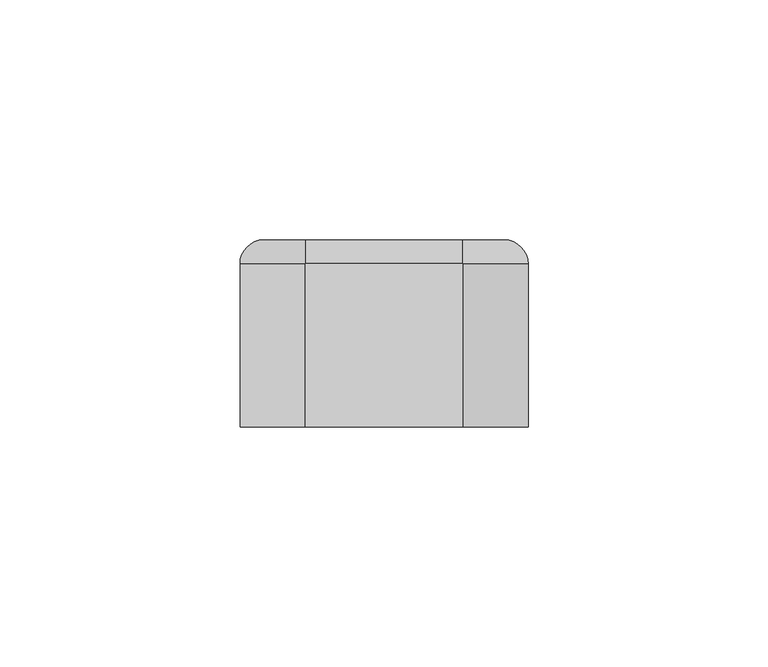
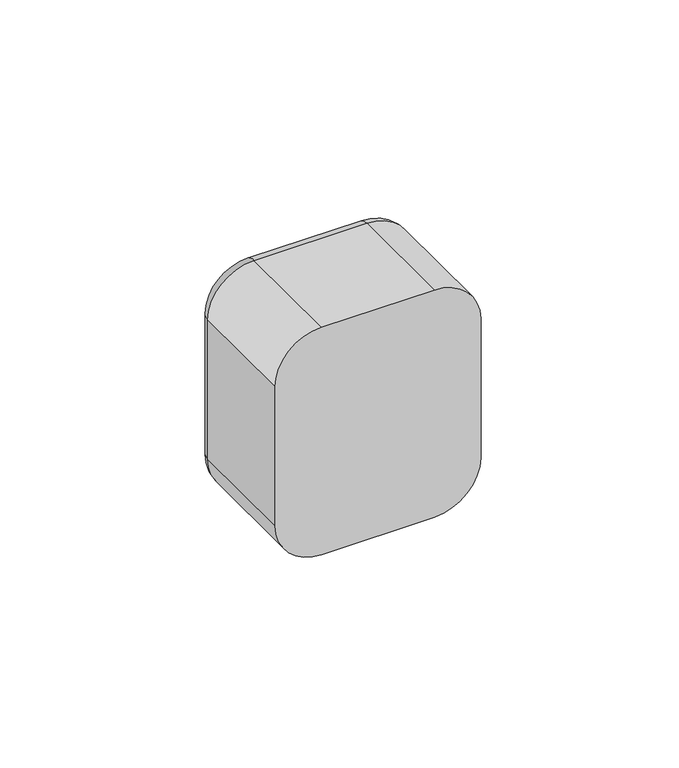
"""IFC4 building model written with IfcOpenShell, lengths in millimetres: electric appliance geometry."""

from ifc_helpers import new_model, si_unit, point, frame, origin, place, context, project, spatial, polyline, circle_curve, ellipse_curve, trimmed, outline, extrude, source, transform, mapped, element, save
from ifc_brep_helpers import plane_surface, cylinder_surface, revolved_surface, advanced_brep


def electric_appliance_cc51e7da(model_context):
    return source(origin(), model_context, "Body", "SolidModel", [
        advanced_brep(
        [(16.4328665, 39.0, 30.0), (25.0, 39.0, 21.4328665), (25.0, 39.0, -21.4328665), (16.4328665, 39.0, -30.0), (-16.4328665, 39.0, -30.0), (-25.0, 39.0, -21.4328665), (-25.0, 39.0, 21.4328665), (-16.4328665, 39.0, 30.0), (22.5, 39.0, 22.5), (-22.5, 39.0, 22.5), (-22.5, 39.0, -22.5), (22.5, 39.0, -22.5), (-16.4328665, 0.0, 35.0), (-30.0, 0.0, 21.4328665), (-30.0, 0.0, -21.4328665), (-16.4328665, 0.0, -35.0), (16.4328665, 0.0, -35.0), (30.0, 0.0, -21.4328665), (30.0, 0.0, 21.4328665), (16.4328665, 0.0, 35.0), (22.5, 2.0, -22.5), (22.5, 2.0, 22.5), (-22.5, 2.0, -22.5), (-22.5, 2.0, 22.5), (-30.0, 34.0, 21.4328665), (-30.0, 34.0, -21.4328665), (-16.4328665, 34.0, -35.0), (16.4328665, 34.0, -35.0), (30.0, 34.0, -21.4328665), (30.0, 34.0, 21.4328665), (16.4328665, 34.0000072, 35.0), (-16.4328665, 34.0, 35.0)],
        [
            (0, 1, circle_curve(frame((16.4328665, 39.0, 21.4328665), z_axis=(0.0, 1.0, 0.0), x_axis=(0.0, 0.0, 1.0)), 8.5671335)),
            (1, 2),
            (2, 3, circle_curve(frame((16.4328665, 39.0, -21.4328665), z_axis=(0.0, 1.0, 0.0), x_axis=(1.0, 0.0, 0.0)), 8.5671335)),
            (3, 4),
            (4, 5, circle_curve(frame((-16.4328665, 39.0, -21.4328665), z_axis=(0.0, 1.0, 0.0), x_axis=(0.0, 0.0, -1.0)), 8.5671335)),
            (5, 6),
            (6, 7, circle_curve(frame((-16.4328665, 39.0, 21.4328665), z_axis=(0.0, 1.0, 0.0), x_axis=(-1.0, 0.0, 0.0)), 8.5671335)),
            (7, 0),
            (8, 9),
            (9, 10),
            (10, 11),
            (11, 8),
            (12, 13, circle_curve(frame((-16.4328665, 0.0, 21.4328665), z_axis=(0.0, -1.0, 0.0), x_axis=(1.0, 0.0, 0.0)), 13.5671335)),
            (13, 14),
            (14, 15, circle_curve(frame((-16.4328665, 0.0, -21.4328665), z_axis=(0.0, -1.0, 0.0), x_axis=(1.0, 0.0, 0.0)), 13.5671335)),
            (15, 16),
            (16, 17, circle_curve(frame((16.4328665, 0.0, -21.4328665), z_axis=(0.0, -1.0, 0.0), x_axis=(1.0, 0.0, 0.0)), 13.5671335)),
            (17, 18),
            (18, 19, circle_curve(frame((16.4328665, 0.0, 21.4328665), z_axis=(0.0, -1.0, 0.0), x_axis=(1.0, 0.0, 0.0)), 13.5671335)),
            (19, 12),
            (11, 20),
            (20, 21),
            (21, 8),
            (10, 22),
            (22, 20),
            (9, 23),
            (23, 22),
            (21, 23),
            (13, 24),
            (24, 25),
            (25, 14),
            (15, 26),
            (26, 27),
            (27, 16),
            (17, 28),
            (28, 29),
            (29, 18),
            (19, 30),
            (30, 31),
            (31, 12),
            (31, 24, circle_curve(frame((-16.4328665, 34.0, 21.4328665), z_axis=(0.0, -1.0, 0.0), x_axis=(1.0, 0.0, 0.0)), 13.5671335)),
            (25, 26, circle_curve(frame((-16.4328665, 34.0, -21.4328665), z_axis=(0.0, -1.0, 0.0), x_axis=(1.0, 0.0, 0.0)), 13.5671335)),
            (27, 28, circle_curve(frame((16.4328665, 34.0, -21.4328665), z_axis=(0.0, -1.0, 0.0), x_axis=(1.0, 0.0, 0.0)), 13.5671335)),
            (29, 30, circle_curve(frame((16.4328665, 34.0, 21.4328665), z_axis=(0.0, -1.0, 0.0), x_axis=(1.0, 0.0, 0.0)), 13.5671335)),
            (29, 1, circle_curve(frame((25.0, 34.0, 21.4328665), z_axis=(0.0, 0.0, 1.0), x_axis=(0.0, 1.0, 0.0)), 5.0)),
            (0, 30, circle_curve(frame((16.4328665, 34.0, 30.0), z_axis=(1.0, 0.0, 0.0), x_axis=(0.0, 1.0, 0.0)), 5.0)),
            (28, 2, circle_curve(frame((25.0, 34.0, -21.4328665), z_axis=(0.0, 0.0, 1.0), x_axis=(0.0, 1.0, 0.0)), 5.0)),
            (27, 3, circle_curve(frame((16.4328665, 34.0, -30.0), z_axis=(1.0, 0.0, 0.0), x_axis=(0.0, 1.0, 0.0)), 5.0)),
            (26, 4, circle_curve(frame((-16.4328665, 34.0, -30.0), z_axis=(1.0, 0.0, 0.0), x_axis=(0.0, 1.0, 0.0)), 5.0)),
            (25, 5, circle_curve(frame((-25.0, 34.0, -21.4328665), z_axis=(0.0, 0.0, -1.0), x_axis=(0.0, 1.0, 0.0)), 5.0)),
            (24, 6, circle_curve(frame((-25.0, 34.0, 21.4328665), z_axis=(0.0, 0.0, -1.0), x_axis=(0.0, 1.0, 0.0)), 5.0)),
            (31, 7, circle_curve(frame((-16.4328665, 34.0, 30.0), z_axis=(-1.0, 0.0, 0.0), x_axis=(0.0, 1.0, 0.0)), 5.0)),
        ],
        [
            plane_surface(frame((22.5, 39.0, 6.9412233), z_axis=(0.0, 1.0, 0.0), x_axis=(0.0, 0.0, 1.0))),
            plane_surface(frame((22.5, 0.0, 6.9412233), z_axis=(0.0, -1.0, 0.0), x_axis=(0.0, 0.0, -1.0))),
            plane_surface(frame((22.5, 0.0, 22.5), z_axis=(-1.0, 0.0, 0.0), x_axis=(0.0, 1.0, 0.0))),
            plane_surface(frame((22.5, 0.0, -22.5), z_axis=(0.0, 0.0, 1.0), x_axis=(0.0, 1.0, 0.0))),
            plane_surface(frame((-22.5, 0.0, -22.5), z_axis=(1.0, 0.0, 0.0), x_axis=(0.0, 1.0, 0.0))),
            plane_surface(frame((-22.5, 0.0, 22.5), z_axis=(0.0, 0.0, -1.0), x_axis=(0.0, 1.0, 0.0))),
            plane_surface(frame((-30.0, 0.0, 21.4328665), z_axis=(-1.0, 0.0, 0.0), x_axis=(0.0, 1.0, 0.0))),
            plane_surface(frame((-16.4328665, 0.0, -35.0), z_axis=(0.0, 0.0, -1.0), x_axis=(0.0, 1.0, 0.0))),
            plane_surface(frame((30.0, 0.0, -21.4328665), z_axis=(1.0, 0.0, 0.0), x_axis=(0.0, 1.0, 0.0))),
            plane_surface(frame((16.4328665, 0.0, 35.0), z_axis=(0.0, 0.0, 1.0), x_axis=(0.0, 1.0, 0.0))),
            cylinder_surface(frame((-16.4328665, 0.0, 21.4328665), z_axis=(0.0, -1.0, 0.0), x_axis=(1.0, 0.0, 0.0)), 13.5671335),
            cylinder_surface(frame((-16.4328665, 0.0, -21.4328665), z_axis=(0.0, -1.0, 0.0), x_axis=(1.0, 0.0, 0.0)), 13.5671335),
            cylinder_surface(frame((16.4328665, 0.0, -21.4328665), z_axis=(0.0, -1.0, 0.0), x_axis=(1.0, 0.0, 0.0)), 13.5671335),
            cylinder_surface(frame((16.4328665, 0.0, 21.4328665), z_axis=(0.0, -1.0, 0.0), x_axis=(1.0, 0.0, 0.0)), 13.5671335),
            plane_surface(frame((-22.5, 2.0, 31.0), z_axis=(0.0, 1.0, 0.0), x_axis=(0.0, 0.0, 1.0))),
            revolved_surface(trimmed(ellipse_curve(frame((16.4328665, 34.0, 30.0), z_axis=(-1.0, 0.0, 0.0), x_axis=(0.0, 1.0, 0.0)), 5.0, 5.0), [point((16.4328665, 34.0, 35.0))], [point((16.4328665, 39.0, 30.0))], True, "CARTESIAN"), (16.4328665, 39.0, 21.4328665), (0.0, 1.0, 0.0)),
            cylinder_surface(frame((25.0, 34.0, 21.4328665), z_axis=(0.0, 0.0, -1.0), x_axis=(0.0, 1.0, 0.0)), 5.0),
            revolved_surface(trimmed(ellipse_curve(frame((25.0, 34.0, -21.4328665), z_axis=(0.0, 0.0, 1.0), x_axis=(0.0, 1.0, 0.0)), 5.0, 5.0), [point((30.0, 34.0, -21.4328665))], [point((25.0, 39.0, -21.4328665))], True, "CARTESIAN"), (16.4328665, 39.0, -21.4328665), (0.0, 1.0, 0.0)),
            cylinder_surface(frame((16.4328665, 34.0, -30.0), z_axis=(-1.0, 0.0, 0.0), x_axis=(0.0, 1.0, 0.0)), 5.0),
            revolved_surface(trimmed(ellipse_curve(frame((-16.4328665, 34.0, -30.0), z_axis=(1.0, 0.0, 0.0), x_axis=(0.0, 1.0, 0.0)), 5.0, 5.0), [point((-16.4328665, 34.0, -35.0))], [point((-16.4328665, 39.0, -30.0))], True, "CARTESIAN"), (-16.4328665, 39.0, -21.4328665), (0.0, 1.0, 0.0)),
            cylinder_surface(frame((-25.0, 34.0, -21.4328665), z_axis=(0.0, 0.0, 1.0), x_axis=(0.0, 1.0, 0.0)), 5.0),
            revolved_surface(trimmed(ellipse_curve(frame((-25.0, 34.0, 21.4328665), z_axis=(0.0, 0.0, -1.0), x_axis=(0.0, 1.0, 0.0)), 5.0, 5.0), [point((-30.0, 34.0, 21.4328665))], [point((-25.0, 39.0, 21.4328665))], True, "CARTESIAN"), (-16.4328665, 39.0, 21.4328665), (0.0, 1.0, 0.0)),
            cylinder_surface(frame((-16.4328665, 34.0, 30.0), z_axis=(1.0, 0.0, 0.0), x_axis=(0.0, 1.0, 0.0)), 5.0),
        ],
        [
            (0, [[1, 2, 3, 4, 5, 6, 7, 8], [9, 10, 11, 12]]),
            (1, [[13, 14, 15, 16, 17, 18, 19, 20]]),
            (2, [[-12, 21, 22, 23]]),
            (3, [[-11, 24, 25, -21]]),
            (4, [[-10, 26, 27, -24]]),
            (5, [[-9, -23, 28, -26]]),
            (6, [[-14, 29, 30, 31]]),
            (7, [[-16, 32, 33, 34]]),
            (8, [[-18, 35, 36, 37]]),
            (9, [[-20, 38, 39, 40]]),
            (10, [[-13, -40, 41, -29]]),
            (11, [[-15, -31, 42, -32]]),
            (12, [[-17, -34, 43, -35]]),
            (13, [[-19, -37, 44, -38]]),
            (14, [[-22, -25, -27, -28]]),
            (15, [[45, -1, 46, -44]]),
            (16, [[-45, -36, 47, -2]]),
            (17, [[-47, -43, 48, -3]]),
            (18, [[-48, -33, 49, -4]]),
            (19, [[-49, -42, 50, -5]]),
            (20, [[-50, -30, 51, -6]]),
            (21, [[-51, -41, 52, -7]]),
            (22, [[-46, -8, -52, -39]]),
        ],
    ),
        extrude(outline(polyline([(22.5, 22.5), (22.5, -22.5), (-22.5, -22.5), (-22.5, 22.5), (22.5, 22.5)]), holes=[polyline([(-6.0, -6.5), (8.0, -6.5), (8.0, 6.5), (-6.0, 6.5), (-6.0, -6.5)])]), frame((0.0, 31.0, 0.0), z_axis=(0.0, 1.0, 0.0), x_axis=(0.0, 0.0, 1.0)), (0.0, 0.0, 1.0), 8.0),
        extrude(outline(polyline([(7.8, 6.3), (7.8, -6.3), (-5.8, -6.3), (-5.8, 6.3), (7.8, 6.3)]), holes=[polyline([(-5.0, 2.0037086), (-5.0, -2.0037086), (-3.5, -2.0037086), (-3.5, -4.5037086), (-2.0, -4.5037086), (-2.0, -6.0), (5.0, -6.0), (5.0, 6.0), (-2.0, 6.0), (-2.0, 4.5037086), (-3.5, 4.5037086), (-3.5, 2.0037086), (-5.0, 2.0037086)])]), frame((0.0, 31.0, 0.0), z_axis=(0.0, 1.0, 0.0), x_axis=(0.0, 0.0, 1.0)), (0.0, 0.0, 1.0), 8.0),
        extrude(outline(polyline([(5.0, 31.0), (-5.0, 31.0), (-5.0, 36.0), (5.0, 36.0), (5.0, 31.0)])), frame((0.0, 0.0, 4.0), z_axis=(0.0, 0.0, 1.0), x_axis=(1.0, 0.0, 0.0)), (0.0, 0.0, 1.0), 1.0),
        extrude(outline(polyline([(22.5, 2.0), (-22.5, 2.0), (-22.5, 31.0), (22.5, 31.0), (22.5, 2.0)])), frame((0.0, 0.0, -22.5), z_axis=(0.0, 0.0, 1.0), x_axis=(1.0, 0.0, 0.0)), (0.0, 0.0, 1.0), 45.0),
    ])


if __name__ == "__main__":
    model = new_model("IFC4")
    model_context = context("Model", 3, world=origin())
    ifc_project = project(units=[si_unit("LENGTHUNIT", "METRE", prefix="MILLI")], contexts=[model_context])
    site = spatial("IfcSite", under=ifc_project)
    building = spatial("IfcBuilding", under=site)
    placement = place(None, origin())
    electric_appliance_shape = electric_appliance_cc51e7da(model_context)
    element("IfcElectricAppliance", 1, at=placement, inside=building, context=model_context, shape_type="MappedRepresentation", body=[
        mapped(electric_appliance_shape, transform((0.0, 0.0, 0.0), x_axis=(1.0, 0.0, 0.0), y_axis=(0.0, 1.0, 0.0), z_axis=(0.0, 0.0, 1.0))),
    ])
    save(model, "model.ifc")
